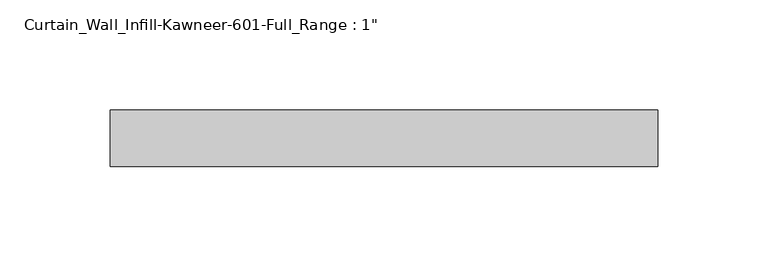
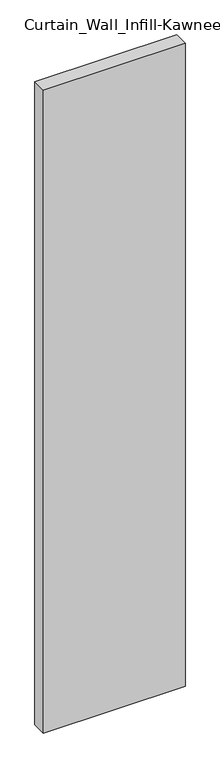
"""IFC4 building model written with IfcOpenShell, lengths in millimetres: plate geometry."""

from ifc_helpers import new_model, si_unit, origin, origin_with_axes, place, context, project, spatial, polyline, outline, extrude, source, transform, mapped, element, save


def plate_e0781f84(model_context):
    return source(origin(), model_context, "Body", "SweptSolid", [
        extrude(outline(polyline([(-123.825, 12.7), (123.825, 12.7), (123.825, -12.7), (-123.825, -12.7), (-123.825, 12.7)])), origin_with_axes(), (0.0, 0.0, 1.0), 1187.45),
    ])


if __name__ == "__main__":
    model = new_model("IFC4")
    model_context = context("Model", 3, world=origin())
    ifc_project = project(units=[si_unit("LENGTHUNIT", "METRE", prefix="MILLI")], contexts=[model_context])
    site = spatial("IfcSite", under=ifc_project)
    building = spatial("IfcBuilding", under=site)
    placement = place(None, origin())
    plate_shape = plate_e0781f84(model_context)
    element("IfcPlate", 1, ObjectType="Curtain_Wall_Infill-Kawneer-601-Full_Range : 1\"", at=placement, inside=building, context=model_context, shape_type="MappedRepresentation", body=[
        mapped(plate_shape, transform((0.0, 0.0, 0.0), x_axis=(1.0, 0.0, 0.0), y_axis=(0.0, 1.0, 0.0), z_axis=(0.0, 0.0, 1.0))),
    ])
    save(model, "model.ifc")
